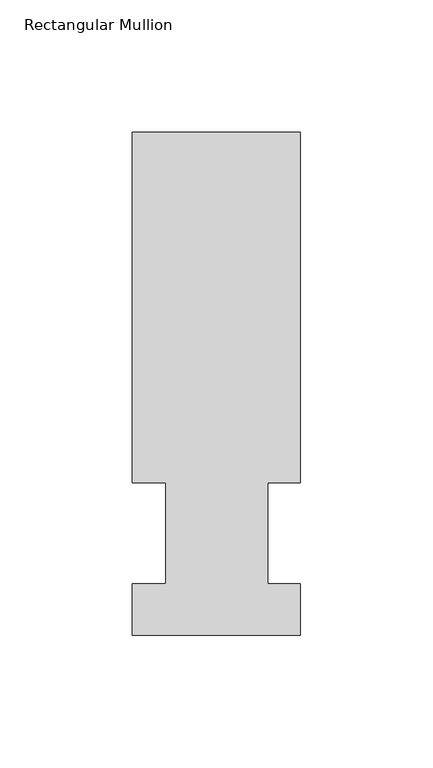
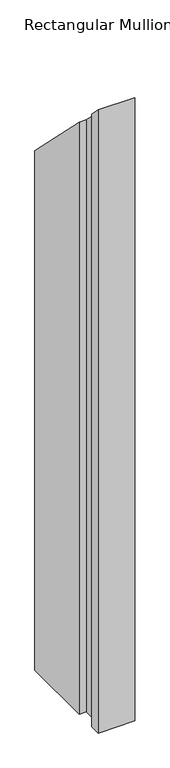
"""IFC4 building model written with IfcOpenShell, lengths in millimetres: member geometry, Rectangular Mullion."""

from ifc_helpers import new_model, si_unit, origin, place, context, project, spatial, faceted_brep, source, transform, mapped, element, save


def rectangular_mullion_c8c43e40(model_context):
    return source(origin(), model_context, "Body", "Brep", [
        faceted_brep([(-63.5, 57.6460937, -1142.5174), (-63.5, 190.0816937, -1142.5174), (0.0, 190.0816937, -1142.5174), (0.0, 57.6460937, -1142.5174), (-12.3418395, 57.6460937, -1142.5174), (-12.3418395, 19.5460937, -1142.5174), (0.0, 19.5460937, -1142.5174), (0.0, 0.0134938, -1142.5174), (-63.5, 0.0134938, -1142.5174), (-63.5, 19.5460937, -1142.5174), (-50.8, 19.5460937, -1142.5174), (-50.8, 57.6460937, -1142.5174), (-50.8, 57.6460937, -57.6460938), (-63.5, 57.6460937, -57.6460938), (-50.8, 19.5460937, -19.5460937), (-63.5, 19.5460937, -19.5460937), (-63.5, 0.0134938, -0.0134938), (0.0, 0.0134938, -0.0134938), (0.0, 19.5460937, -19.5460937), (-12.3418395, 19.5460937, -19.5460937), (-12.3418395, 57.6460937, -57.6460938), (0.0, 57.6460937, -57.6460938), (0.0, 190.0816937, -190.0816937), (-63.5, 190.0816937, -190.0816937)], [[[0, 1, 2, 3, 4, 5, 6, 7, 8, 9, 10, 11]], [[12, 13, 0, 11]], [[14, 12, 11, 10]], [[15, 14, 10, 9]], [[16, 15, 9, 8]], [[17, 16, 8, 7]], [[18, 17, 7, 6]], [[19, 18, 6, 5]], [[20, 19, 5, 4]], [[21, 20, 4, 3]], [[22, 21, 3, 2]], [[23, 22, 2, 1]], [[13, 23, 1, 0]], [[13, 12, 14, 15, 16, 17, 18, 19, 20, 21, 22, 23]]]),
    ])


if __name__ == "__main__":
    model = new_model("IFC4")
    model_context = context("Model", 3, world=origin())
    ifc_project = project(units=[si_unit("LENGTHUNIT", "METRE", prefix="MILLI")], contexts=[model_context])
    site = spatial("IfcSite", under=ifc_project)
    building = spatial("IfcBuilding", under=site)
    placement = place(None, origin())
    rectangular_mullion_shape = rectangular_mullion_c8c43e40(model_context)
    element("IfcMember", 1, ObjectType="Rectangular Mullion", at=placement, inside=building, context=model_context, shape_type="MappedRepresentation", body=[
        mapped(rectangular_mullion_shape, transform((0.0, 0.0, 0.0), x_axis=(1.0, 0.0, 0.0), y_axis=(0.0, 1.0, 0.0), z_axis=(0.0, 0.0, 1.0))),
    ])
    save(model, "model.ifc")
